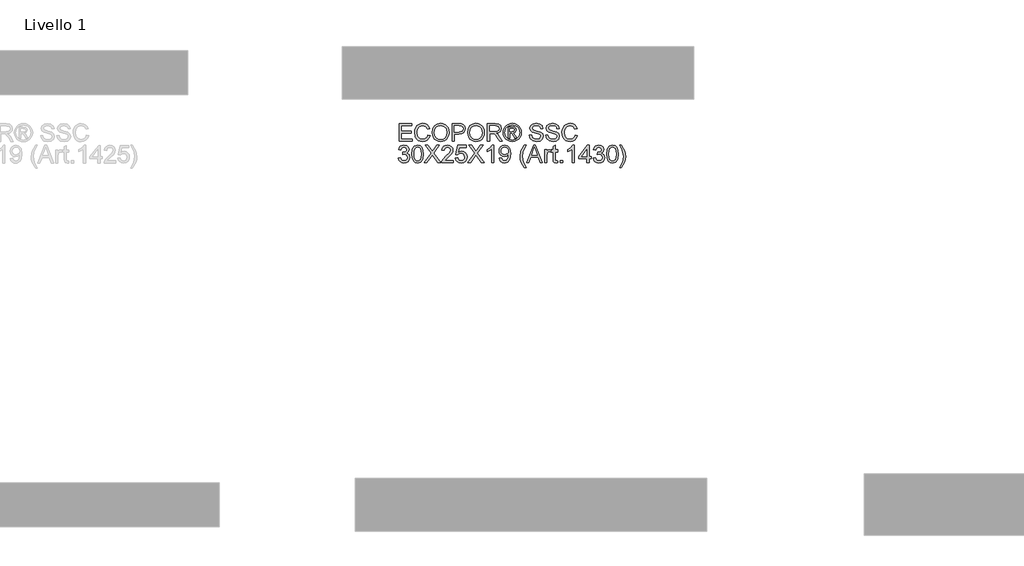
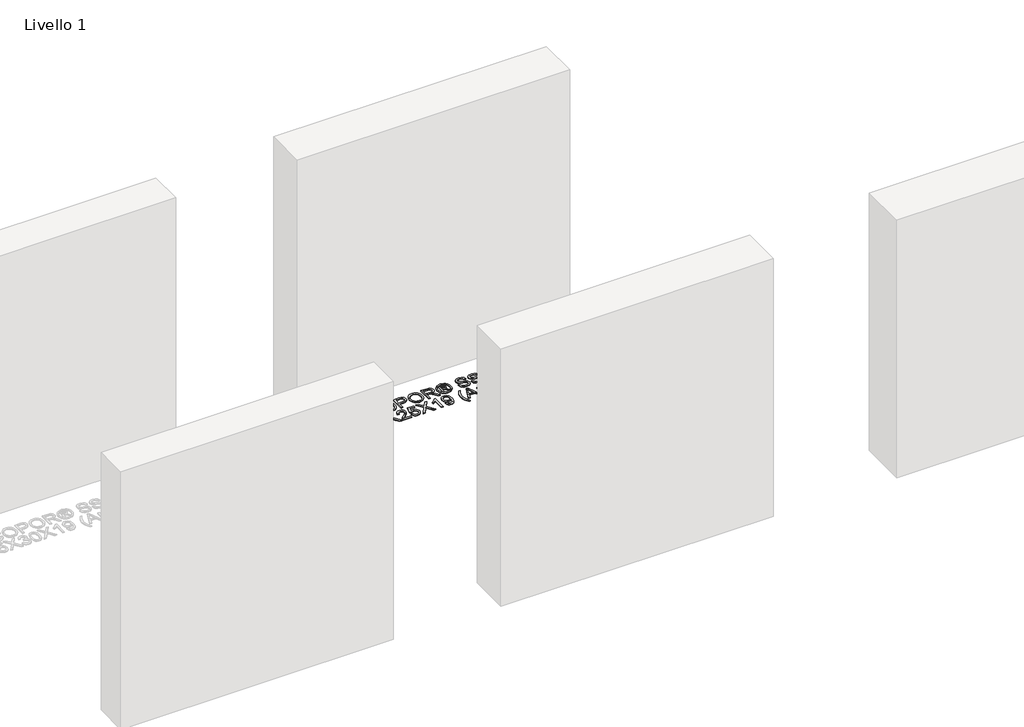
# One storey, part 4 of 10: 1 proxy.
"""IFC4 building model written with IfcOpenShell, lengths in millimetres."""

from ifc_helpers import new_model, si_unit, origin, origin_with_axes, place, context, project, spatial, polyline, outline, extrude, element, save

model = new_model("IFC4")

# Units and contexts
model_context = context("Model", 3, world=origin())
ifc_project = project(units=[si_unit("LENGTHUNIT", "METRE", prefix="MILLI")], contexts=[model_context])

# Site, building, storey
site = spatial("IfcSite", under=ifc_project)
building = spatial("IfcBuilding", under=site)
storey = spatial("IfcBuildingStorey", under=building, Name="Livello 1", Elevation=0.0)

# Proxy
placement = place(None, origin())
element("IfcBuildingElementProxy", 1, Name="100", ObjectType="100", at=placement, inside=storey, context=model_context, shape_type="SweptSolid", body=[
    extrude(outline(polyline([(-4724.8919833, 2604.4329691), (-4724.8919833, 2704.8892792), (-4652.6890104, 2704.8892792), (-4652.6890104, 2692.3322405), (-4712.3349446, 2692.3322405), (-4712.3349446, 2662.5092734), (-4655.8282701, 2662.5092734), (-4655.8282701, 2649.9522346), (-4712.3349446, 2649.9522346), (-4712.3349446, 2616.9900079), (-4651.1193806, 2616.9900079), (-4651.1193806, 2604.4329691), (-4724.8919833, 2604.4329691)])), origin_with_axes(), (0.0, 0.0, 1.0), 5.0),
    extrude(outline(polyline([(-4561.6504793, 2640.1420481), (-4549.0934406, 2636.9046865), (-4554.887582, 2622.2721802), (-4563.9803986, 2611.5821425), (-4575.9243007, 2605.0430401), (-4590.2716986, 2602.8633392), (-4604.8367599, 2604.5126769), (-4616.4035829, 2609.4606897), (-4625.269539, 2617.5356995), (-4631.7319994, 2628.566028), (-4636.9927119, 2655.4214136), (-4635.5058555, 2670.0692484), (-4631.0452864, 2682.7182577), (-4623.8439963, 2692.9668369), (-4614.1349773, 2700.4133816), (-4602.6202709, 2704.9475272), (-4590.0019184, 2706.4589091), (-4576.2339348, 2704.5030031), (-4564.8510527, 2698.6352853), (-4556.2088915, 2689.2175062), (-4550.6630704, 2676.6114165), (-4563.2201092, 2673.6193097), (-4573.520805, 2689.0580907), (-4590.4924278, 2693.9018703), (-4610.1373263, 2688.5307932), (-4621.2350998, 2674.109819), (-4624.4356732, 2655.4459391), (-4620.6464886, 2633.8144778), (-4608.8497393, 2619.9943775), (-4591.5224973, 2615.420378), (-4581.0409262, 2616.9777451), (-4572.3067945, 2621.6498465), (-4565.7125097, 2629.3876311), (-4561.6504793, 2640.1420481)])), origin_with_axes(), (0.0, 0.0, 1.0), 5.0),
    extrude(outline(polyline([(-4536.5364018, 2653.336749), (-4533.1886756, 2675.5506901), (-4523.1454972, 2692.3567659), (-4507.8109493, 2702.9333733), (-4488.5891151, 2706.4589091), (-4475.4128083, 2704.8034401), (-4463.5976649, 2699.8370332), (-4453.7874783, 2691.9091762), (-4446.6260422, 2681.369357), (-4442.2482464, 2668.7264791), (-4440.7889812, 2654.4894459), (-4442.3248885, 2640.0623403), (-4446.9326105, 2627.2416528), (-4454.3576954, 2616.6834395), (-4464.3456916, 2609.0437568), (-4476.0596675, 2604.4084436), (-4488.6626915, 2602.8633392), (-4502.0413334, 2604.5709248), (-4513.9239218, 2609.6936816), (-4523.7095829, 2617.7686914), (-4530.7974427, 2628.333036), (-4536.5364018, 2653.336749)]), holes=[polyline([(-4523.979363, 2653.2141217), (-4521.4685684, 2637.4994291), (-4513.9361846, 2625.5248701), (-4502.6146162, 2617.946501), (-4488.7362679, 2615.420378), (-4474.6555845, 2617.9710265), (-4463.315622, 2625.622972), (-4455.8384205, 2637.965413), (-4453.34602, 2654.5875478), (-4457.6134511, 2675.3115668), (-4470.0846507, 2689.0335652), (-4488.5155387, 2693.9018703), (-4502.0229393, 2691.5566226), (-4513.5069889, 2684.5208794), (-4521.3612695, 2672.0036946), (-4523.979363, 2653.2141217)])]), origin_with_axes(), (0.0, 0.0, 1.0), 5.0),
    extrude(outline(polyline([(-4423.5230529, 2604.4329691), (-4423.5230529, 2704.8892792), (-4386.293395, 2704.8892792), (-4371.2838096, 2703.9327861), (-4359.0823901, 2699.2361592), (-4351.1729272, 2689.5240746), (-4348.1808203, 2675.8266016), (-4350.2011056, 2663.9869327), (-4356.2619614, 2654.1215639), (-4367.5957926, 2647.4628998), (-4385.4350036, 2645.2433451), (-4410.9660141, 2645.2433451), (-4410.9660141, 2604.4329691), (-4423.5230529, 2604.4329691)]), holes=[polyline([(-4410.9660141, 2657.8003839), (-4384.6992397, 2657.8003839), (-4366.207038, 2662.4111715), (-4362.1051538, 2667.9600583), (-4360.737859, 2675.3851432), (-4363.9629579, 2685.783941), (-4372.4365065, 2691.4738492), (-4384.9935452, 2692.3322405), (-4410.9660141, 2692.3322405), (-4410.9660141, 2657.8003839)])]), origin_with_axes(), (0.0, 0.0, 1.0), 5.0),
    extrude(outline(polyline([(-4335.6237815, 2653.336749), (-4332.2760553, 2675.5506901), (-4322.2328769, 2692.3567659), (-4306.898329, 2702.9333733), (-4287.6764948, 2706.4589091), (-4274.500188, 2704.8034401), (-4262.6850446, 2699.8370332), (-4252.874858, 2691.9091762), (-4245.7134219, 2681.369357), (-4241.3356261, 2668.7264791), (-4239.8763609, 2654.4894459), (-4241.4122682, 2640.0623403), (-4246.0199902, 2627.2416528), (-4253.4450751, 2616.6834395), (-4263.4330713, 2609.0437568), (-4275.1470472, 2604.4084436), (-4287.7500712, 2602.8633392), (-4301.1287131, 2604.5709248), (-4313.0113015, 2609.6936816), (-4322.7969626, 2617.7686914), (-4329.8848224, 2628.333036), (-4335.6237815, 2653.336749)]), holes=[polyline([(-4323.0667427, 2653.2141217), (-4320.5559481, 2637.4994291), (-4313.0235643, 2625.5248701), (-4301.7019959, 2617.946501), (-4287.8236476, 2615.420378), (-4273.7429642, 2617.9710265), (-4262.4030017, 2625.622972), (-4254.9258002, 2637.965413), (-4252.4333997, 2654.5875478), (-4256.7008308, 2675.3115668), (-4269.1720304, 2689.0335652), (-4287.6029184, 2693.9018703), (-4301.110319, 2691.5566226), (-4312.5943686, 2684.5208794), (-4320.4486492, 2672.0036946), (-4323.0667427, 2653.2141217)])]), origin_with_axes(), (0.0, 0.0, 1.0), 5.0),
    extrude(outline(polyline([(-4222.6104326, 2604.4329691), (-4222.6104326, 2704.8892792), (-4179.3229845, 2704.8892792), (-4159.2243648, 2702.1792152), (-4148.2369559, 2692.5897579), (-4144.1289403, 2677.3962315), (-4145.8303945, 2667.5002058), (-4150.9347572, 2659.2964373), (-4159.5953125, 2653.2815667), (-4171.9653446, 2649.9522346), (-4164.8284339, 2644.5811575), (-4154.6503653, 2631.6562367), (-4137.8994718, 2604.4329691), (-4152.4921243, 2604.4329691), (-4165.5641979, 2625.25509), (-4175.0065024, 2639.0384021), (-4181.640641, 2645.5499134), (-4187.6125921, 2647.9411464), (-4194.8966556, 2648.3826048), (-4210.0533938, 2648.3826048), (-4210.0533938, 2604.4329691), (-4222.6104326, 2604.4329691)]), holes=[polyline([(-4210.0533938, 2660.9396436), (-4181.9472094, 2660.9396436), (-4167.6120743, 2662.7177399), (-4159.4696195, 2668.4076481), (-4156.685979, 2676.9302476), (-4161.9957425, 2687.9912329), (-4178.7834242, 2692.3322405), (-4210.0533938, 2692.3322405), (-4210.0533938, 2660.9396436)])]), origin_with_axes(), (0.0, 0.0, 1.0), 5.0),
    extrude(outline(polyline([(-4081.319221, 2706.4589091), (-4068.424957, 2704.785046), (-4055.8372614, 2699.7634568), (-4044.7793418, 2691.6271333), (-4036.4744058, 2680.6090676), (-4031.2780726, 2667.8864819), (-4029.5459615, 2654.6365987), (-4031.2535471, 2641.5032115), (-4036.3763039, 2628.884859), (-4044.5800724, 2617.9066472), (-4055.5306931, 2609.6936816), (-4068.1398485, 2604.5709248), (-4081.319221, 2602.8633392), (-4094.4801993, 2604.5709248), (-4107.0832234, 2609.6936816), (-4118.0430411, 2617.9066472), (-4126.2744008, 2628.884859), (-4131.4247487, 2641.5032115), (-4133.1415314, 2654.6365987), (-4131.4002232, 2667.8864819), (-4126.1762989, 2680.6090676), (-4117.8437717, 2691.6271333), (-4106.776655, 2699.7634568), (-4094.1950908, 2704.785046), (-4081.319221, 2706.4589091)]), holes=[polyline([(-4081.319221, 2697.04113), (-4102.1413419, 2691.5596883), (-4111.1697792, 2684.8979585), (-4117.9970559, 2675.8756526), (-4123.7237523, 2654.6365987), (-4118.1074205, 2633.5814858), (-4102.3865966, 2617.8974501), (-4081.319221, 2612.2811183), (-4060.2395826, 2617.8974501), (-4044.5555469, 2633.5814858), (-4038.9637406, 2654.6365987), (-4044.6536488, 2675.8756526), (-4051.4625314, 2684.8979585), (-4060.5093628, 2691.5596883), (-4081.319221, 2697.04113)])]), origin_with_axes(), (0.0, 0.0, 1.0), 5.0),
    extrude(outline(polyline([(-4104.8881941, 2623.2685272), (-4104.8881941, 2686.0537211), (-4084.6056335, 2686.0537211), (-4069.5469971, 2684.3246757), (-4062.1280435, 2678.291411), (-4059.3689286, 2669.1311493), (-4064.1268691, 2657.2117727), (-4076.7329588, 2651.5218645), (-4071.8278655, 2648.1864011), (-4063.2684777, 2635.6538877), (-4056.2296689, 2623.2685272), (-4066.8246704, 2623.2685272), (-4072.3429003, 2633.2258666), (-4081.5890011, 2647.6468408), (-4089.6088286, 2649.9522346), (-4095.470415, 2649.9522346), (-4095.470415, 2623.2685272), (-4104.8881941, 2623.2685272)]), holes=[polyline([(-4095.470415, 2659.3700137), (-4083.5510384, 2659.3700137), (-4071.9014419, 2661.7612467), (-4068.7867077, 2668.1010797), (-4070.2827611, 2672.6628165), (-4074.4398277, 2675.6549234), (-4084.3113279, 2676.635942), (-4095.470415, 2676.635942), (-4095.470415, 2659.3700137)])]), origin_with_axes(), (0.0, 0.0, 1.0), 5.0),
    extrude(outline(polyline([(-3984.026696, 2638.9648257), (-3971.4696572, 2638.9648257), (-3967.4229553, 2626.3955242), (-3957.5391923, 2618.4492731), (-3942.480556, 2615.420378), (-3929.3594315, 2617.7135091), (-3920.8858829, 2624.016554), (-3918.1022424, 2632.4410517), (-3920.1869071, 2640.2769382), (-3928.7217694, 2645.9791091), (-3947.0055045, 2650.7738378), (-3966.6871913, 2656.966518), (-3977.3680319, 2666.3107207), (-3980.8874363, 2678.7941831), (-3976.534166, 2693.0066908), (-3963.8177117, 2703.0376065), (-3945.2028827, 2706.4589091), (-3925.337255, 2702.878191), (-3912.0935032, 2692.3567659), (-3907.1148335, 2676.635942), (-3919.6718723, 2676.635942), (-3921.9772661, 2684.128472), (-3926.7842575, 2689.5363373), (-3944.7123734, 2693.9018703), (-3962.6895403, 2689.5853882), (-3968.3303975, 2679.162065), (-3964.3327465, 2670.4555245), (-3943.8294566, 2663.4412411), (-3921.6093841, 2657.1381963), (-3909.4570155, 2646.9601277), (-3905.5452037, 2632.7598827), (-3910.0456267, 2617.7380346), (-3922.995073, 2606.7751511), (-3941.9900467, 2602.8633392), (-3964.4185856, 2607.0817195), (-3978.6065679, 2619.785911), (-3984.026696, 2638.9648257)])), origin_with_axes(), (0.0, 0.0, 1.0), 5.0),
    extrude(outline(polyline([(-3891.4185351, 2638.9648257), (-3878.8614963, 2638.9648257), (-3874.8147943, 2626.3955242), (-3864.9310314, 2618.4492731), (-3849.8723951, 2615.420378), (-3836.7512706, 2617.7135091), (-3828.2777219, 2624.016554), (-3825.4940815, 2632.4410517), (-3827.5787462, 2640.2769382), (-3836.1136084, 2645.9791091), (-3854.3973436, 2650.7738378), (-3874.0790303, 2656.966518), (-3884.7598709, 2666.3107207), (-3888.2792754, 2678.7941831), (-3883.9260051, 2693.0066908), (-3871.2095508, 2703.0376065), (-3852.5947218, 2706.4589091), (-3832.7290941, 2702.878191), (-3819.4853423, 2692.3567659), (-3814.5066726, 2676.635942), (-3827.0637114, 2676.635942), (-3829.3691052, 2684.128472), (-3834.1760966, 2689.5363373), (-3852.1042125, 2693.9018703), (-3870.0813793, 2689.5853882), (-3875.7222366, 2679.162065), (-3871.7245856, 2670.4555245), (-3851.2212957, 2663.4412411), (-3829.0012232, 2657.1381963), (-3816.8488546, 2646.9601277), (-3812.9370427, 2632.7598827), (-3817.4374658, 2617.7380346), (-3830.3869121, 2606.7751511), (-3849.3818857, 2602.8633392), (-3871.8104247, 2607.0817195), (-3885.998407, 2619.785911), (-3891.4185351, 2638.9648257)])), origin_with_axes(), (0.0, 0.0, 1.0), 5.0),
    extrude(outline(polyline([(-3723.4681415, 2640.1420481), (-3710.9111028, 2636.9046865), (-3716.7052442, 2622.2721802), (-3725.7980608, 2611.5821425), (-3737.7419629, 2605.0430401), (-3752.0893607, 2602.8633392), (-3766.6544221, 2604.5126769), (-3778.2212451, 2609.4606897), (-3787.0872012, 2617.5356995), (-3793.5496616, 2628.566028), (-3798.8103741, 2655.4214136), (-3797.3235177, 2670.0692484), (-3792.8629485, 2682.7182577), (-3785.6616585, 2692.9668369), (-3775.9526395, 2700.4133816), (-3764.4379331, 2704.9475272), (-3751.8195806, 2706.4589091), (-3738.0515969, 2704.5030031), (-3726.6687149, 2698.6352853), (-3718.0265537, 2689.2175062), (-3712.4807326, 2676.6114165), (-3725.0377714, 2673.6193097), (-3735.3384672, 2689.0580907), (-3752.3100899, 2693.9018703), (-3771.9549885, 2688.5307932), (-3783.052762, 2674.109819), (-3786.2533354, 2655.4459391), (-3782.4641508, 2633.8144778), (-3770.6674015, 2619.9943775), (-3753.3401595, 2615.420378), (-3742.8585884, 2616.9777451), (-3734.1244566, 2621.6498465), (-3727.5301719, 2629.3876311), (-3723.4681415, 2640.1420481)])), origin_with_axes(), (0.0, 0.0, 1.0), 5.0),
    extrude(outline(polyline([(-4729.6008729, 2509.1418586), (-4717.0438341, 2510.7114885), (-4710.1153899, 2497.4922621), (-4697.1536809, 2493.4455602), (-4688.5452422, 2494.8373804), (-4681.8988408, 2499.012841), (-4676.2334581, 2512.7961531), (-4681.8497899, 2525.7823875), (-4696.1236113, 2530.9204727), (-4704.9282537, 2529.5470466), (-4703.5303021, 2542.1040854), (-4701.5192139, 2541.9569326), (-4687.269918, 2545.5621762), (-4682.5242402, 2550.1361756), (-4680.9423476, 2556.6476869), (-4685.5286098, 2566.4701362), (-4697.3498846, 2570.3574226), (-4709.3183122, 2566.433348), (-4715.4742042, 2554.6611242), (-4728.031243, 2556.230754), (-4724.334029, 2567.5063372), (-4717.7550726, 2575.9247035), (-4708.7542265, 2581.1670219), (-4697.791343, 2582.9144614), (-4682.6468675, 2579.4686334), (-4672.0518661, 2570.0508543), (-4668.3853089, 2557.3834509), (-4671.8679251, 2545.8074308), (-4682.168621, 2537.4932977), (-4668.4834107, 2528.9093845), (-4663.6764193, 2512.5754239), (-4666.079915, 2500.3372162), (-4673.2904021, 2490.1100967), (-4684.1735778, 2483.1939152), (-4697.5951393, 2480.8885214), (-4709.7352451, 2482.8566901), (-4719.6190081, 2488.7611961), (-4726.49227, 2497.7926991), (-4729.6008729, 2509.1418586)])), origin_with_axes(), (0.0, 0.0, 1.0), 5.0),
    extrude(outline(polyline([(-4652.6890104, 2531.8769659), (-4648.9979277, 2560.780228), (-4638.0350443, 2577.4452824), (-4619.7267836, 2582.9144614), (-4605.0605548, 2579.6770998), (-4594.9315372, 2570.3451599), (-4589.0454252, 2555.4827273), (-4586.7645569, 2531.8769659), (-4590.4188514, 2503.0963312), (-4601.3449466, 2486.3944886), (-4609.5763063, 2482.2650132), (-4619.7267836, 2480.8885214), (-4632.7743317, 2483.2797544), (-4642.6826201, 2490.4534533), (-4650.1874128, 2507.4434701), (-4652.6890104, 2531.8769659)]), holes=[polyline([(-4640.1319716, 2531.9014914), (-4638.6604437, 2512.1492939), (-4634.2458597, 2500.7173609), (-4627.6730347, 2495.2635104), (-4619.7267836, 2493.4455602), (-4611.7805325, 2495.2696417), (-4605.2077076, 2500.7418864), (-4600.7931236, 2512.1799508), (-4599.3215956, 2531.9014914), (-4600.7440727, 2551.2091648), (-4605.0115038, 2562.7300026), (-4611.5720661, 2568.4505676), (-4619.8739364, 2570.3574226), (-4627.7343484, 2568.6774282), (-4634.049656, 2563.6374448), (-4638.6113927, 2551.3992371), (-4640.1319716, 2531.9014914)])]), origin_with_axes(), (0.0, 0.0, 1.0), 5.0),
    extrude(outline(polyline([(-4582.0556673, 2482.4581512), (-4543.329956, 2537.1989921), (-4575.7771479, 2582.9144614), (-4560.7185116, 2582.9144614), (-4542.4470392, 2557.1872472), (-4536.2911471, 2547.1563315), (-4529.08066, 2557.3589255), (-4511.0053913, 2582.9144614), (-4495.7260258, 2582.9144614), (-4528.1732178, 2537.0518393), (-4489.4475064, 2482.4581512), (-4504.5061427, 2482.4581512), (-4530.3069333, 2518.8539433), (-4535.6780105, 2526.4077869), (-4541.5886479, 2518.1181793), (-4566.7763018, 2482.4581512), (-4582.0556673, 2482.4581512)])), origin_with_axes(), (0.0, 0.0, 1.0), 5.0),
    extrude(outline(polyline([(-4417.2445335, 2495.01519), (-4417.2445335, 2482.4581512), (-4483.168987, 2482.4581512), (-4481.8200864, 2491.1156409), (-4474.1926663, 2504.4452318), (-4458.4718424, 2519.0010961), (-4436.7913302, 2539.9213189), (-4431.3712021, 2554.1460894), (-4436.4847618, 2565.6607958), (-4449.8388783, 2570.3574226), (-4463.7570804, 2565.7711604), (-4469.0423184, 2553.0914943), (-4481.5993572, 2554.6611242), (-4478.5551337, 2566.8073614), (-4471.9731116, 2575.6794488), (-4462.1966476, 2581.1057083), (-4449.5690981, 2582.9144614), (-4436.8495782, 2580.9033732), (-4427.0915082, 2574.8701084), (-4420.8834996, 2565.8569996), (-4418.8141633, 2554.9063788), (-4421.0459808, 2542.9992649), (-4428.4649343, 2530.6874808), (-4446.4543639, 2513.4828662), (-4460.8998636, 2501.404074), (-4466.5652463, 2495.01519), (-4417.2445335, 2495.01519)])), origin_with_axes(), (0.0, 0.0, 1.0), 5.0),
    extrude(outline(polyline([(-4404.6874947, 2509.1418586), (-4392.130456, 2510.7114885), (-4385.8028856, 2497.774305), (-4372.6817611, 2493.4455602), (-4363.680915, 2494.9508107), (-4356.9364117, 2499.4665622), (-4352.7241629, 2506.4716485), (-4351.32008, 2515.4449035), (-4356.5807925, 2530.356387), (-4363.18734, 2534.4582713), (-4372.4855574, 2535.825566), (-4383.5097545, 2533.6427995), (-4390.5608261, 2527.9774168), (-4403.1178649, 2529.5470466), (-4392.130456, 2581.3448316), (-4343.4719307, 2581.3448316), (-4343.4719307, 2568.7877928), (-4381.9769129, 2568.7877928), (-4387.34799, 2541.1230667), (-4378.3778007, 2546.5677203), (-4368.9784157, 2548.3826048), (-4357.2460458, 2546.1323932), (-4347.5063699, 2539.3817586), (-4340.9488734, 2529.0933255), (-4338.7630412, 2516.2297184), (-4340.7312099, 2503.6726796), (-4346.6357159, 2492.9305254), (-4357.9419559, 2483.8990224), (-4372.7308121, 2480.8885214), (-4385.064056, 2482.8229676), (-4394.8895709, 2488.626306), (-4401.6248771, 2497.6240865), (-4404.6874947, 2509.1418586)])), origin_with_axes(), (0.0, 0.0, 1.0), 5.0),
    extrude(outline(polyline([(-4334.0541516, 2482.4581512), (-4295.3284403, 2537.1989921), (-4327.7756323, 2582.9144614), (-4312.7169959, 2582.9144614), (-4294.4455235, 2557.1872472), (-4288.2896314, 2547.1563315), (-4281.0791443, 2557.3589255), (-4263.0038756, 2582.9144614), (-4247.7245101, 2582.9144614), (-4280.1717021, 2537.0518393), (-4241.4459907, 2482.4581512), (-4256.5046271, 2482.4581512), (-4282.3054177, 2518.8539433), (-4287.6764948, 2526.4077869), (-4293.5871322, 2518.1181793), (-4318.7747861, 2482.4581512), (-4334.0541516, 2482.4581512)])), origin_with_axes(), (0.0, 0.0, 1.0), 5.0),
    extrude(outline(polyline([(-4186.5089461, 2482.4581512), (-4199.0659849, 2482.4581512), (-4199.0659849, 2560.7434398), (-4210.9608361, 2552.2698912), (-4224.1800624, 2545.9300581), (-4224.1800624, 2557.8003839), (-4205.7736999, 2569.5480822), (-4194.60235, 2582.9144614), (-4186.5089461, 2582.9144614), (-4186.5089461, 2482.4581512)])), origin_with_axes(), (0.0, 0.0, 1.0), 5.0),
    extrude(outline(polyline([(-4155.1163492, 2507.5722288), (-4142.5593104, 2509.1418586), (-4136.9184532, 2497.1611683), (-4126.2253498, 2493.4455602), (-4116.059544, 2495.8367931), (-4109.167888, 2502.2256771), (-4105.0598724, 2513.1395096), (-4103.2449879, 2527.7076367), (-4103.3185643, 2530.1601833), (-4113.3617427, 2520.6443023), (-4127.1327921, 2516.9900079), (-4138.5831192, 2519.2218253), (-4148.1143286, 2525.9172776), (-4154.5430664, 2536.260893), (-4156.685979, 2549.4371998), (-4154.4388332, 2563.0488337), (-4147.6973956, 2573.7174115), (-4137.5714437, 2580.6151989), (-4125.1707548, 2582.9144614), (-4107.2794271, 2577.6660116), (-4094.967643, 2562.7054771), (-4090.7615255, 2534.5992927), (-4094.9553803, 2504.1018753), (-4100.1701075, 2494.1108134), (-4107.4265799, 2486.8236843), (-4116.4120976, 2482.3723121), (-4126.813961, 2480.8885214), (-4137.5499839, 2482.6390266), (-4146.115503, 2487.890542), (-4152.1058482, 2496.311974), (-4155.1163492, 2507.5722288)]), holes=[polyline([(-4103.3185643, 2549.7315054), (-4104.6735963, 2558.2418423), (-4108.7386923, 2564.7901418), (-4115.0478686, 2568.9656024), (-4123.1351411, 2570.3574226), (-4131.5228506, 2568.8583035), (-4138.2428284, 2564.3609461), (-4142.6574123, 2557.4784871), (-4144.1289403, 2548.8240632), (-4142.7371201, 2541.0648188), (-4138.5616594, 2534.905861), (-4132.0072285, 2530.8867502), (-4123.4784976, 2529.5470466), (-4108.9962097, 2534.905861), (-4104.7379756, 2541.2916793), (-4103.3185643, 2549.7315054)])]), origin_with_axes(), (0.0, 0.0, 1.0), 5.0),
    extrude(outline(polyline([(-4012.2800332, 2454.204814), (-4030.1100472, 2483.6598991), (-4035.5730949, 2500.8399883), (-4037.3941107, 2518.6332141), (-4031.9494572, 2549.1674197), (-4012.2800332, 2582.9144614), (-4002.8622541, 2582.9144614), (-4014.6099525, 2563.0243082), (-4021.6732868, 2543.7472916), (-4024.837072, 2518.5596377), (-4019.3433675, 2486.3699631), (-4002.8622541, 2454.204814), (-4012.2800332, 2454.204814)])), origin_with_axes(), (0.0, 0.0, 1.0), 5.0),
    extrude(outline(polyline([(-4000.434233, 2482.4581512), (-3960.3350955, 2582.9144614), (-3949.6419922, 2582.9144614), (-3909.5428547, 2482.4581512), (-3922.811132, 2482.4581512), (-3934.3135757, 2513.8507482), (-3975.6880374, 2513.8507482), (-3987.1659557, 2482.4581512), (-4000.434233, 2482.4581512)]), holes=[polyline([(-3971.0772497, 2526.4077869), (-3938.8998379, 2526.4077869), (-3947.949735, 2551.1049315), (-3954.9885438, 2570.3574226), (-3961.2425377, 2553.2631726), (-3971.0772497, 2526.4077869)])]), origin_with_axes(), (0.0, 0.0, 1.0), 5.0),
    extrude(outline(polyline([(-3897.6970544, 2482.4581512), (-3897.6970544, 2556.230754), (-3886.7096455, 2556.230754), (-3886.7096455, 2545.3169215), (-3878.9105472, 2555.3723627), (-3871.062398, 2557.8003839), (-3858.4563083, 2553.9253602), (-3862.650163, 2542.6681711), (-3871.4793309, 2545.2433451), (-3878.5794534, 2542.766273), (-3883.104402, 2535.8991424), (-3885.1400157, 2521.2329135), (-3885.1400157, 2482.4581512), (-3897.6970544, 2482.4581512)])), origin_with_axes(), (0.0, 0.0, 1.0), 5.0),
    extrude(outline(polyline([(-3823.9244517, 2492.9305254), (-3822.3548218, 2482.0902693), (-3831.7480754, 2480.8885214), (-3842.2695005, 2482.973186), (-3847.5179503, 2488.442365), (-3849.0385292, 2502.691661), (-3849.0385292, 2543.6737152), (-3858.4563083, 2543.6737152), (-3858.4563083, 2556.230754), (-3849.0385292, 2556.230754), (-3849.0385292, 2574.1588699), (-3836.4814904, 2581.5410353), (-3836.4814904, 2556.230754), (-3823.9244517, 2556.230754), (-3823.9244517, 2543.6737152), (-3836.4814904, 2543.6737152), (-3836.4814904, 2503.059543), (-3835.8193028, 2496.5848199), (-3833.6733245, 2494.2916888), (-3829.3936307, 2493.4455602), (-3823.9244517, 2492.9305254)])), origin_with_axes(), (0.0, 0.0, 1.0), 5.0),
    extrude(outline(polyline([(-3808.2281532, 2482.4581512), (-3808.2281532, 2495.01519), (-3795.6711144, 2495.01519), (-3795.6711144, 2482.4581512), (-3808.2281532, 2482.4581512)])), origin_with_axes(), (0.0, 0.0, 1.0), 5.0),
    extrude(outline(polyline([(-3728.1770311, 2482.4581512), (-3740.7340698, 2482.4581512), (-3740.7340698, 2560.7434398), (-3752.628921, 2552.2698912), (-3765.8481474, 2545.9300581), (-3765.8481474, 2557.8003839), (-3747.4417849, 2569.5480822), (-3736.270435, 2582.9144614), (-3728.1770311, 2582.9144614), (-3728.1770311, 2482.4581512)])), origin_with_axes(), (0.0, 0.0, 1.0), 5.0),
    extrude(outline(polyline([(-3657.543688, 2482.4581512), (-3657.543688, 2506.0025989), (-3703.0629535, 2506.0025989), (-3703.0629535, 2518.5596377), (-3654.4044283, 2581.3448316), (-3644.9866492, 2581.3448316), (-3644.9866492, 2518.5596377), (-3632.4296104, 2518.5596377), (-3632.4296104, 2506.0025989), (-3644.9866492, 2506.0025989), (-3644.9866492, 2482.4581512), (-3657.543688, 2482.4581512)]), holes=[polyline([(-3657.543688, 2518.5596377), (-3657.543688, 2557.3589255), (-3687.6119097, 2518.5596377), (-3657.543688, 2518.5596377)])]), origin_with_axes(), (0.0, 0.0, 1.0), 5.0),
    extrude(outline(polyline([(-3621.4422015, 2509.1418586), (-3608.8851628, 2510.7114885), (-3601.9567185, 2497.4922621), (-3588.9950096, 2493.4455602), (-3580.3865709, 2494.8373804), (-3573.7401695, 2499.012841), (-3568.0747868, 2512.7961531), (-3573.6911186, 2525.7823875), (-3587.96494, 2530.9204727), (-3596.7695824, 2529.5470466), (-3595.3716308, 2542.1040854), (-3593.3605426, 2541.9569326), (-3579.1112466, 2545.5621762), (-3574.3655689, 2550.1361756), (-3572.7836763, 2556.6476869), (-3577.3699385, 2566.4701362), (-3589.1912133, 2570.3574226), (-3601.1596409, 2566.433348), (-3607.3155329, 2554.6611242), (-3619.8725717, 2556.230754), (-3616.1753576, 2567.5063372), (-3609.5964013, 2575.9247035), (-3600.5955551, 2581.1670219), (-3589.6326717, 2582.9144614), (-3574.4881962, 2579.4686334), (-3563.8931947, 2570.0508543), (-3560.2266375, 2557.3834509), (-3563.7092537, 2545.8074308), (-3574.0099496, 2537.4932977), (-3560.3247394, 2528.9093845), (-3555.517748, 2512.5754239), (-3557.9212437, 2500.3372162), (-3565.1317308, 2490.1100967), (-3576.0149065, 2483.1939152), (-3589.4364679, 2480.8885214), (-3601.5765738, 2482.8566901), (-3611.4603367, 2488.7611961), (-3618.3335987, 2497.7926991), (-3621.4422015, 2509.1418586)])), origin_with_axes(), (0.0, 0.0, 1.0), 5.0),
    extrude(outline(polyline([(-3544.5303391, 2531.8769659), (-3540.8392564, 2560.780228), (-3529.8763729, 2577.4452824), (-3511.5681123, 2582.9144614), (-3496.9018834, 2579.6770998), (-3486.7728658, 2570.3451599), (-3480.8867539, 2555.4827273), (-3478.6058855, 2531.8769659), (-3482.26018, 2503.0963312), (-3493.1862753, 2486.3944886), (-3501.4176349, 2482.2650132), (-3511.5681123, 2480.8885214), (-3524.6156604, 2483.2797544), (-3534.5239488, 2490.4534533), (-3542.0287415, 2507.4434701), (-3544.5303391, 2531.8769659)]), holes=[polyline([(-3531.9733003, 2531.9014914), (-3530.5017723, 2512.1492939), (-3526.0871884, 2500.7173609), (-3519.5143634, 2495.2635104), (-3511.5681123, 2493.4455602), (-3503.6218612, 2495.2696417), (-3497.0490362, 2500.7418864), (-3492.6344523, 2512.1799508), (-3491.1629243, 2531.9014914), (-3492.5854013, 2551.2091648), (-3496.8528325, 2562.7300026), (-3503.4133947, 2568.4505676), (-3511.7152651, 2570.3574226), (-3519.5756771, 2568.6774282), (-3525.8909846, 2563.6374448), (-3530.4527214, 2551.3992371), (-3531.9733003, 2531.9014914)])]), origin_with_axes(), (0.0, 0.0, 1.0), 5.0),
    extrude(outline(polyline([(-3461.3399572, 2454.204814), (-3470.7577363, 2454.204814), (-3454.2766229, 2486.3699631), (-3448.7829185, 2518.5596377), (-3451.9467036, 2543.5265624), (-3458.9364615, 2562.8281045), (-3470.7577363, 2582.9144614), (-3461.3399572, 2582.9144614), (-3441.6705332, 2549.1674197), (-3436.2258797, 2518.6332141), (-3438.0560926, 2500.8399883), (-3443.5467314, 2483.6598991), (-3461.3399572, 2454.204814)])), origin_with_axes(), (0.0, 0.0, 1.0), 5.0),
])

save(model, "model.ifc")
